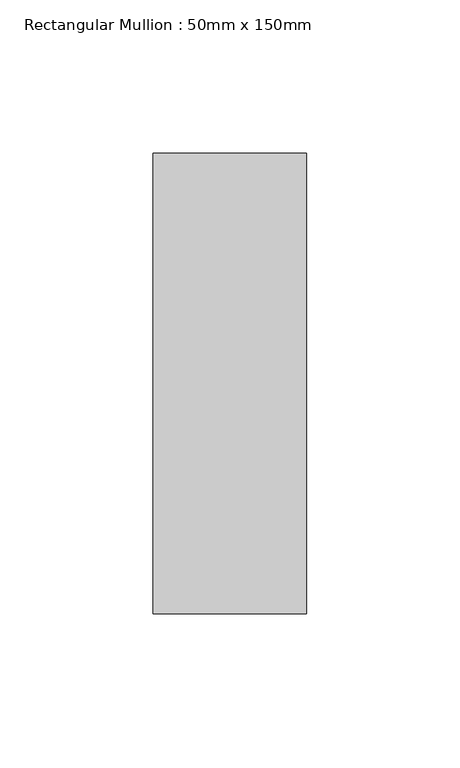
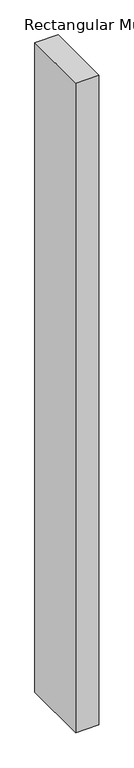
"""IFC4 building model written with IfcOpenShell, lengths in millimetres: member geometry, Rectangular Mullion : 50mm x 150mm."""

from ifc_helpers import new_model, si_unit, frame, origin, place, context, project, spatial, polyline, outline, extrude, source, transform, mapped, element, save


def rectangular_mullion_50mm_x_150mm_57903254(model_context):
    return source(origin(), model_context, "Body", "SweptSolid", [
        extrude(outline(polyline([(0.0, 75.0), (0.0, -75.0), (-50.0, -75.0), (-50.0, 75.0), (0.0, 75.0)])), frame((0.0, 0.0, -1465.0), z_axis=(0.0, 0.0, 1.0), x_axis=(1.0, 0.0, 0.0)), (0.0, 0.0, 1.0), 1465.0),
    ])


if __name__ == "__main__":
    model = new_model("IFC4")
    model_context = context("Model", 3, world=origin())
    ifc_project = project(units=[si_unit("LENGTHUNIT", "METRE", prefix="MILLI")], contexts=[model_context])
    site = spatial("IfcSite", under=ifc_project)
    building = spatial("IfcBuilding", under=site)
    placement = place(None, origin())
    rectangular_mullion_50mm_x_150mm_shape = rectangular_mullion_50mm_x_150mm_57903254(model_context)
    element("IfcMember", 1, ObjectType="Rectangular Mullion : 50mm x 150mm", at=placement, inside=building, context=model_context, shape_type="MappedRepresentation", body=[
        mapped(rectangular_mullion_50mm_x_150mm_shape, transform((0.0, 0.0, 0.0), x_axis=(1.0, 0.0, 0.0), y_axis=(0.0, 1.0, 0.0), z_axis=(0.0, 0.0, 1.0))),
    ])
    save(model, "model.ifc")
